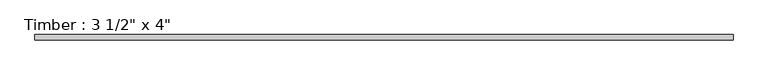
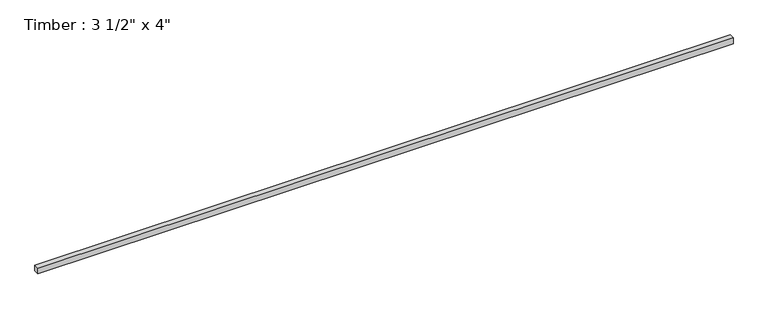
"""IFC4 building model written with IfcOpenShell, lengths in millimetres: beam geometry."""

import ifcopenshell
import ifcopenshell.guid

model = None  # the IFC model being written
_history = None  # IfcOwnerHistory: only IFC2X3 demands one
_inside = {}  # id of a spatial element -> (the spatial element, [elements in it])
_under = {}  # id of a project, library or spatial element -> (it, [spatial elements below it])
_declared = {}  # id of a project -> (the project, [libraries it declares])
_typed = {}  # id of a type object -> (the type object, [elements of that type])
_made_of = {}  # id of a material, layer set ... -> (it, [elements and type objects made of it])


def new_model(schema):
    """Start an empty IFC model of exactly this schema.

    Asked for "IFC4X3", IfcOpenShell would pick the latest addendum, in which some entities
    have other attributes; the version numbers below select the first issue.
    IFC2X3 requires an IfcOwnerHistory on every rooted entity: one is made here for all.
    """
    global model, _history
    if schema == "IFC4X3":
        model = ifcopenshell.file(schema_version=(4, 3, 0, 0))
    else:
        model = ifcopenshell.file(schema=schema)
    _inside.clear()
    _under.clear()
    _declared.clear()
    _typed.clear()
    _made_of.clear()
    _history = None
    if model.schema == "IFC2X3":
        org = make("IfcOrganization", Name="unknown")
        user = make(
            "IfcPersonAndOrganization",
            ThePerson=make("IfcPerson", FamilyName="unknown"),
            TheOrganization=org,
        )
        app = make(
            "IfcApplication",
            ApplicationDeveloper=org,
            Version="unknown",
            ApplicationFullName="unknown",
            ApplicationIdentifier="unknown",
        )
        _history = make(
            "IfcOwnerHistory",
            OwningUser=user,
            OwningApplication=app,
            ChangeAction="ADDED",
            CreationDate=0,
        )
    return model


def make(cls, **values):
    """One entity of the class cls with the attributes given. An attribute that is None is left unset."""
    return model.create_entity(
        cls, **{name: value for name, value in values.items() if value is not None}
    )


def rooted(cls, **values):
    """An entity with a GlobalId (a new one), such as an element, a storey or a relation."""
    return make(cls, GlobalId=ifcopenshell.guid.new(), OwnerHistory=_history, **values)


def si_unit(unit_type, name, prefix=None):
    """IfcSIUnit, for example si_unit("LENGTHUNIT", "METRE", prefix="MILLI")."""
    return make("IfcSIUnit", UnitType=unit_type, Prefix=prefix, Name=name)


def assignment(units):
    """IfcUnitAssignment: the units of a project."""
    return None if units is None else make("IfcUnitAssignment", Units=units)


def point(xyz):
    """IfcCartesianPoint."""
    return None if xyz is None else make("IfcCartesianPoint", Coordinates=xyz)


def direction(xyz):
    """IfcDirection."""
    return None if xyz is None else make("IfcDirection", DirectionRatios=xyz)


def frame(location, z_axis=None, x_axis=None):
    """IfcAxis2Placement3D, a coordinate frame: its origin and axes. An axis left out is left unset."""
    return make(
        "IfcAxis2Placement3D",
        Location=point(location),
        Axis=direction(z_axis),
        RefDirection=direction(x_axis),
    )


def origin():
    """The frame at (0, 0, 0) with its axes left unset."""
    return frame((0.0, 0.0, 0.0))


def place(relative_to, where):
    """IfcLocalPlacement: puts the frame where relative to a parent placement (None: the world)."""
    return make(
        "IfcLocalPlacement", PlacementRelTo=relative_to, RelativePlacement=where
    )


def context(
    kind, dimensions, precision=None, world=None, true_north=None, identifier=None
):
    """IfcGeometricRepresentationContext, for example the 3D "Model" context."""
    return make(
        "IfcGeometricRepresentationContext",
        ContextIdentifier=identifier,
        ContextType=kind,
        CoordinateSpaceDimension=dimensions,
        Precision=precision,
        WorldCoordinateSystem=world,
        TrueNorth=true_north,
    )


def project(units=None, contexts=None):
    """IfcProject with its units and contexts."""
    return rooted(
        "IfcProject",
        Name="project",
        RepresentationContexts=contexts,
        UnitsInContext=assignment(units),
    )


def spatial(cls, under=None, at=None, **own):
    """A site, building, storey or space (cls), placed at a placement, below another one or the project."""
    s = rooted(cls, ObjectPlacement=at, **own)
    if under is not None:
        _under.setdefault(under.id(), (under, []))[1].append(s)
    return s


def polyline(points):
    """IfcPolyline through the points."""
    return make("IfcPolyline", Points=[point(p) for p in points])


def outline(outer, holes=None, kind="AREA"):
    """IfcArbitraryClosedProfileDef: a profile drawn as a closed curve; with holes, ...WithVoids."""
    if holes is None:
        return make("IfcArbitraryClosedProfileDef", ProfileType=kind, OuterCurve=outer)
    return make(
        "IfcArbitraryProfileDefWithVoids",
        ProfileType=kind,
        OuterCurve=outer,
        InnerCurves=holes,
    )


def extrude(swept, where, along, depth):
    """IfcExtrudedAreaSolid: the profile swept, set in the frame where, extruded along a direction by depth."""
    return make(
        "IfcExtrudedAreaSolid",
        SweptArea=swept,
        Position=where,
        ExtrudedDirection=direction(along),
        Depth=depth,
    )


def shape(context_of_items, identifier, shape_type, items):
    """IfcShapeRepresentation: the items that make up one representation, for example the "Body"."""
    return make(
        "IfcShapeRepresentation",
        ContextOfItems=context_of_items,
        RepresentationIdentifier=identifier,
        RepresentationType=shape_type,
        Items=items,
    )


def source(mapping_origin, context_of_items, identifier, shape_type, items):
    """IfcRepresentationMap: a shape defined once, which mapped items show again and again."""
    return make(
        "IfcRepresentationMap",
        MappingOrigin=mapping_origin,
        MappedRepresentation=shape(context_of_items, identifier, shape_type, items),
    )


def transform(
    local_origin,
    x_axis=None,
    y_axis=None,
    z_axis=None,
    scale=None,
    scale2=None,
    scale3=None,
    uniform=True,
):
    """IfcCartesianTransformationOperator3D, or its non-uniform kind. x_axis, y_axis, z_axis: its Axis1, 2, 3."""
    if uniform:
        return make(
            "IfcCartesianTransformationOperator3D",
            Axis1=direction(x_axis),
            Axis2=direction(y_axis),
            LocalOrigin=point(local_origin),
            Scale=scale,
            Axis3=direction(z_axis),
        )
    return make(
        "IfcCartesianTransformationOperator3DnonUniform",
        Axis1=direction(x_axis),
        Axis2=direction(y_axis),
        LocalOrigin=point(local_origin),
        Scale=scale,
        Axis3=direction(z_axis),
        Scale2=scale2,
        Scale3=scale3,
    )


def mapped(mapping_source, mapping_target):
    """IfcMappedItem: shows the shape of a source again, moved by a transform."""
    return make(
        "IfcMappedItem", MappingSource=mapping_source, MappingTarget=mapping_target
    )


def made_of(thing, what):
    """Note that an element or type object is made of a material, layer set ...; save() writes the relation."""
    if what is not None:
        _made_of.setdefault(what.id(), (what, []))[1].append(thing)
    return thing


def element(
    cls,
    number,
    at=None,
    inside=None,
    cuts=None,
    type_object=None,
    material=None,
    context=None,
    identifier="Body",
    shape_type=None,
    held_by="IfcProductDefinitionShape",
    body=None,
    shapes=None,
    **own,
):
    """One element of the class cls, such as IfcWall. Its Tag is "e" and its number.

    at: its placement. inside: the storey or other place that contains it. cuts: it is an
    opening in that element (IfcRelVoidsElement). A single representation is given by context,
    identifier, shape_type and body (its items); several are given by shapes. held_by: the class
    of the entity that holds the representations. save() writes the other relations.
    """
    e = rooted(cls, Tag="e%d" % number, ObjectPlacement=at, **own)
    if body is not None:
        shapes = [shape(context, identifier, shape_type, body)]
    if shapes is not None:
        e.Representation = make(held_by, Representations=shapes)
    if inside is not None:
        _inside.setdefault(inside.id(), (inside, []))[1].append(e)
    if cuts is not None:
        rooted(
            "IfcRelVoidsElement", RelatingBuildingElement=cuts, RelatedOpeningElement=e
        )
    if type_object is not None:
        _typed.setdefault(type_object.id(), (type_object, []))[1].append(e)
    return made_of(e, material)


def aggregate(whole, parts):
    """IfcRelAggregates: a whole, such as a stair, and the parts it consists of."""
    return rooted("IfcRelAggregates", RelatingObject=whole, RelatedObjects=parts)


def save(model, path):
    """Write the relations noted so far, then the file.

    IfcRelAggregates (storeys below a building ...), IfcRelContainedInSpatialStructure (elements
    in a storey), IfcRelDefinesByType, IfcRelAssociatesMaterial and IfcRelDeclares: one each for
    every whole, place, type object, material and project.
    """
    for whole, parts in _under.values():
        aggregate(whole, parts)
    for where, things in _inside.values():
        rooted(
            "IfcRelContainedInSpatialStructure",
            RelatedElements=things,
            RelatingStructure=where,
        )
    for kind, things in _typed.values():
        rooted("IfcRelDefinesByType", RelatedObjects=things, RelatingType=kind)
    for what, things in _made_of.values():
        rooted("IfcRelAssociatesMaterial", RelatedObjects=things, RelatingMaterial=what)
    for by, libraries in _declared.values():
        rooted("IfcRelDeclares", RelatingContext=by, RelatedDefinitions=libraries)
    model.write(path)


def beam_2244b613(model_context):
    return source(origin(), model_context, "Body", "SweptSolid", [
        extrude(outline(polyline([(5852.2113146, 44.45), (5852.2113146, -44.45), (-5828.4067821, -44.45), (-5828.4067821, 44.45), (5852.2113146, 44.45)])), frame((0.0, 0.0, -50.8), z_axis=(0.0, 0.0, 1.0), x_axis=(1.0, 0.0, 0.0)), (0.0, 0.0, 1.0), 101.6),
    ])


if __name__ == "__main__":
    model = new_model("IFC4")
    model_context = context("Model", 3, world=origin())
    ifc_project = project(units=[si_unit("LENGTHUNIT", "METRE", prefix="MILLI")], contexts=[model_context])
    site = spatial("IfcSite", under=ifc_project)
    building = spatial("IfcBuilding", under=site)
    placement = place(None, origin())
    beam_shape = beam_2244b613(model_context)
    element("IfcBeam", 1, ObjectType="Timber : 3 1/2\" x 4\"", at=placement, inside=building, context=model_context, shape_type="MappedRepresentation", body=[
        mapped(beam_shape, transform((0.0, 0.0, 0.0), x_axis=(1.0, 0.0, 0.0), y_axis=(0.0, 1.0, 0.0), z_axis=(0.0, 0.0, 1.0))),
    ])
    save(model, "model.ifc")
